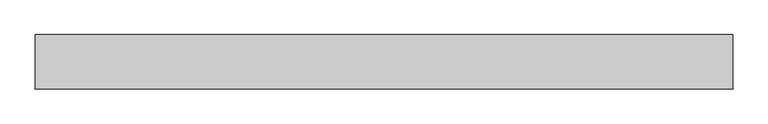
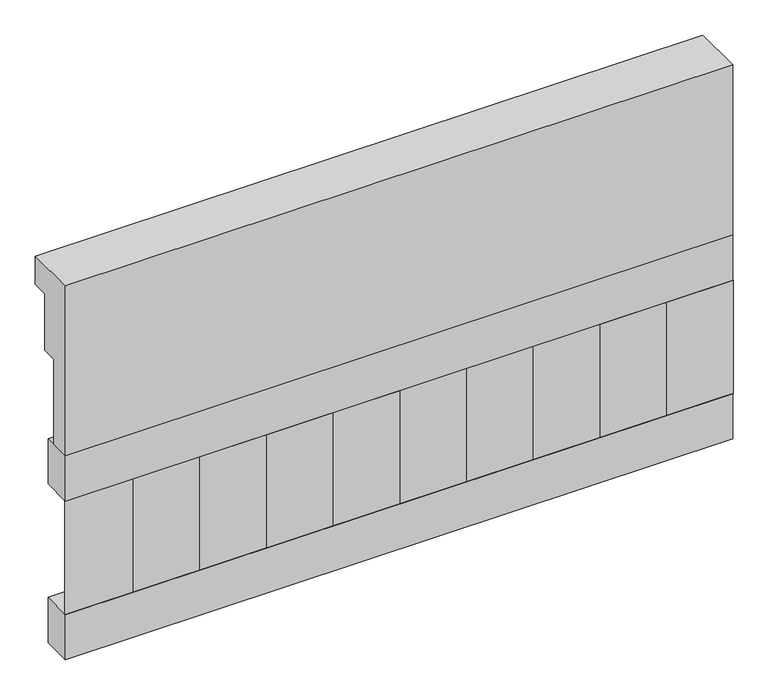
"""IFC4 building model written with IfcOpenShell, lengths in millimetres: railing geometry."""

from ifc_helpers import new_model, si_unit, frame, origin, place, context, project, spatial, polyline, outline, extrude, source, transform, mapped, element, save


def railing_d44aac8b(model_context):
    return source(origin(), model_context, "Body", "SweptSolid", [
        extrude(outline(polyline([(903.1079487, 25100.0), (1033.1079487, 25100.0), (1033.1079487, 25025.0), (993.1079487, 25025.0), (993.1079487, 24875.0), (953.1079487, 24875.0), (953.1079487, 24650.0), (903.1079487, 24650.0), (903.1079487, 25100.0)])), frame((-5539.9887159, 0.0, 0.0), z_axis=(1.0, 0.0, 0.0), x_axis=(0.0, 1.0, 0.0)), (0.0, 0.0, 1.0), 1670.0),
        extrude(outline(polyline([(-3869.9887159, 978.1079487), (-3869.9887159, 903.1079487), (-5539.9887159, 903.1079487), (-5539.9887159, 978.1079487), (-3869.9887159, 978.1079487)])), frame((0.0, 0.0, 24530.0), z_axis=(0.0, 0.0, 1.0), x_axis=(1.0, 0.0, 0.0)), (0.0, 0.0, 1.0), 120.0),
        extrude(outline(polyline([(-3869.9887159, 978.1079487), (-3869.9887159, 903.1079487), (-5539.9887159, 903.1079487), (-5539.9887159, 978.1079487), (-3869.9887159, 978.1079487)])), frame((0.0, 0.0, 24110.0), z_axis=(0.0, 0.0, 1.0), x_axis=(1.0, 0.0, 0.0)), (0.0, 0.0, 1.0), 120.0),
        extrude(outline(polyline([(-5456.4887159, 987.9607624), (-5371.6359022, 903.1079487), (-5541.3415296, 903.1079487), (-5456.4887159, 987.9607624)])), frame((0.0, 0.0, 24230.0), z_axis=(0.0, 0.0, 1.0), x_axis=(1.0, 0.0, 0.0)), (0.0, 0.0, 1.0), 300.0),
        extrude(outline(polyline([(-5289.4887159, 987.9607624), (-5204.6359022, 903.1079487), (-5374.3415296, 903.1079487), (-5289.4887159, 987.9607624)])), frame((0.0, 0.0, 24230.0), z_axis=(0.0, 0.0, 1.0), x_axis=(1.0, 0.0, 0.0)), (0.0, 0.0, 1.0), 300.0),
        extrude(outline(polyline([(-5122.4887159, 987.9607624), (-5037.6359022, 903.1079487), (-5207.3415296, 903.1079487), (-5122.4887159, 987.9607624)])), frame((0.0, 0.0, 24230.0), z_axis=(0.0, 0.0, 1.0), x_axis=(1.0, 0.0, 0.0)), (0.0, 0.0, 1.0), 300.0),
        extrude(outline(polyline([(-4955.4887159, 987.9607624), (-4870.6359022, 903.1079487), (-5040.3415296, 903.1079487), (-4955.4887159, 987.9607624)])), frame((0.0, 0.0, 24230.0), z_axis=(0.0, 0.0, 1.0), x_axis=(1.0, 0.0, 0.0)), (0.0, 0.0, 1.0), 300.0),
        extrude(outline(polyline([(-4788.4887159, 987.9607624), (-4703.6359022, 903.1079487), (-4873.3415296, 903.1079487), (-4788.4887159, 987.9607624)])), frame((0.0, 0.0, 24230.0), z_axis=(0.0, 0.0, 1.0), x_axis=(1.0, 0.0, 0.0)), (0.0, 0.0, 1.0), 300.0),
        extrude(outline(polyline([(-4621.4887159, 987.9607624), (-4536.6359022, 903.1079487), (-4706.3415296, 903.1079487), (-4621.4887159, 987.9607624)])), frame((0.0, 0.0, 24230.0), z_axis=(0.0, 0.0, 1.0), x_axis=(1.0, 0.0, 0.0)), (0.0, 0.0, 1.0), 300.0),
        extrude(outline(polyline([(-4454.4887159, 987.9607624), (-4369.6359022, 903.1079487), (-4539.3415296, 903.1079487), (-4454.4887159, 987.9607624)])), frame((0.0, 0.0, 24230.0), z_axis=(0.0, 0.0, 1.0), x_axis=(1.0, 0.0, 0.0)), (0.0, 0.0, 1.0), 300.0),
        extrude(outline(polyline([(-4287.4887159, 987.9607624), (-4202.6359022, 903.1079487), (-4372.3415296, 903.1079487), (-4287.4887159, 987.9607624)])), frame((0.0, 0.0, 24230.0), z_axis=(0.0, 0.0, 1.0), x_axis=(1.0, 0.0, 0.0)), (0.0, 0.0, 1.0), 300.0),
        extrude(outline(polyline([(-4120.4887159, 987.9607624), (-4035.6359022, 903.1079487), (-4205.3415296, 903.1079487), (-4120.4887159, 987.9607624)])), frame((0.0, 0.0, 24230.0), z_axis=(0.0, 0.0, 1.0), x_axis=(1.0, 0.0, 0.0)), (0.0, 0.0, 1.0), 300.0),
        extrude(outline(polyline([(-3953.4887159, 987.9607624), (-3868.6359022, 903.1079487), (-4038.3415296, 903.1079487), (-3953.4887159, 987.9607624)])), frame((0.0, 0.0, 24230.0), z_axis=(0.0, 0.0, 1.0), x_axis=(1.0, 0.0, 0.0)), (0.0, 0.0, 1.0), 300.0),
    ])


if __name__ == "__main__":
    model = new_model("IFC4")
    model_context = context("Model", 3, world=origin())
    ifc_project = project(units=[si_unit("LENGTHUNIT", "METRE", prefix="MILLI")], contexts=[model_context])
    site = spatial("IfcSite", under=ifc_project)
    building = spatial("IfcBuilding", under=site)
    placement = place(None, origin())
    railing_shape = railing_d44aac8b(model_context)
    element("IfcRailing", 1, at=placement, inside=building, context=model_context, shape_type="MappedRepresentation", body=[
        mapped(railing_shape, transform((0.0, 0.0, 0.0), x_axis=(1.0, 0.0, 0.0), y_axis=(0.0, 1.0, 0.0), z_axis=(0.0, 0.0, 1.0))),
    ])
    save(model, "model.ifc")
